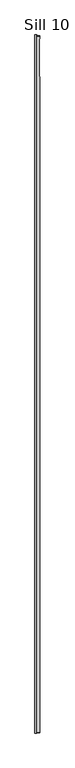
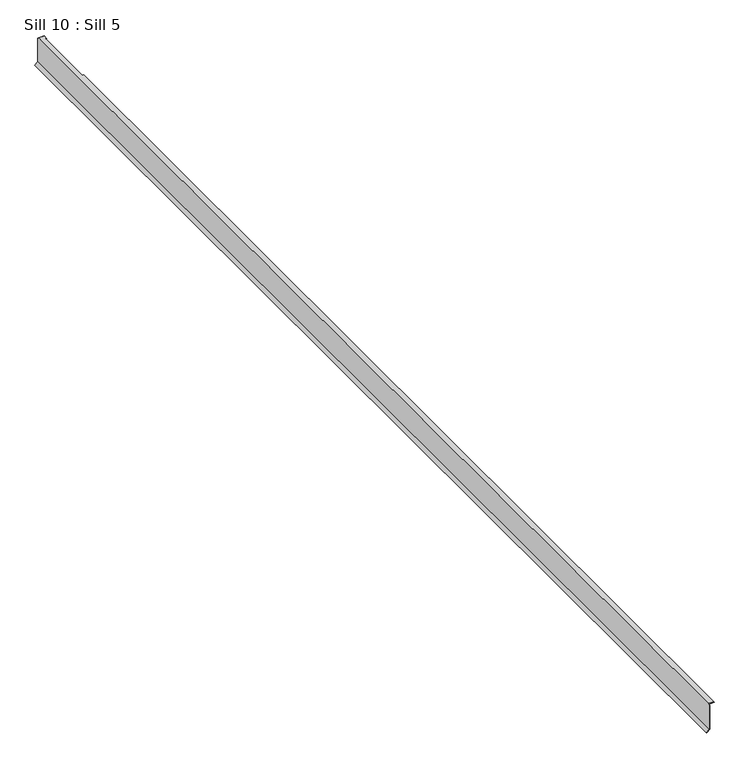
"""IFC4 building model written with IfcOpenShell, lengths in millimetres: proxy geometry, Sill 10 : Sill 5."""

from ifc_helpers import new_model, si_unit, origin, place, context, project, spatial, faceted_brep, source, transform, mapped, element, save


def sill_10_sill_5_6bcdb34f(model_context):
    return source(origin(), model_context, "Body", "Brep", [
        faceted_brep([(-5130.6513897, 6442.6342317, 795.7918539), (-5139.1846506, 6442.6342317, 787.2585929), (-5138.0596616, 6442.6342317, 786.1336039), (-5129.0665697, 6442.6342317, 795.1266958), (-5129.0665697, 6442.6342317, 874.4467726), (-5130.6513897, 6442.6342317, 874.4467726), (-5129.0665697, 10063.5476159, 795.1266958), (-5138.0596616, 10063.5476159, 786.1336039), (-5139.1846506, 10063.5476159, 787.2585929), (-5130.6513897, 10063.5476159, 795.7918539), (-5130.6513897, 10063.5476159, 873.3801711), (-5129.0665697, 10063.5476159, 873.3801711), (-5113.2967868, 10057.6653624, 878.0805218), (-5130.6513897, 10057.6653624, 878.0805218), (-5130.6513897, 9927.7453885, 878.0805218), (-5130.6513897, 9846.3136193, 878.0805218), (-5130.6513897, 6447.1816867, 878.0805218), (-5113.2967868, 6447.1816867, 878.0805218), (-5113.2967868, 9846.3136193, 878.0805218), (-5117.4847818, 9846.3136193, 878.0805218), (-5117.4847818, 9927.7453885, 878.0805218), (-5117.4847818, 10044.0442711, 878.0805218), (-5113.2967868, 10044.0442711, 878.0805218), (-5113.2967868, 10059.6729949, 876.4762766), (-5113.2967868, 10044.4741273, 876.4762766), (-5129.0665697, 6445.1740543, 876.4762766), (-5129.0665697, 10059.6729949, 876.4762766), (-5117.4847818, 10044.4741273, 876.4762766), (-5117.4847818, 9846.3136193, 876.4762766), (-5113.2967868, 9846.3136193, 876.4762766), (-5113.2967868, 6445.1740543, 876.4762766)], [[[0, 1, 2, 3, 4, 5]], [[6, 7, 8, 9, 10, 11]], [[12, 13, 14, 15, 16, 17, 18, 19, 20, 21, 22]], [[23, 12, 22, 24]], [[25, 26, 23, 24, 27, 28, 29, 30]], [[3, 6, 11, 26, 25, 4]], [[7, 6, 3, 2]], [[8, 7, 2, 1]], [[9, 8, 1, 0]], [[9, 0, 5, 16, 15, 14, 13, 10]], [[11, 10, 13, 12, 23, 26]], [[5, 4, 25, 30, 17, 16]], [[27, 21, 20, 19, 28]], [[21, 27, 24, 22]], [[28, 19, 18, 29]], [[17, 30, 29, 18]]]),
    ])


if __name__ == "__main__":
    model = new_model("IFC4")
    model_context = context("Model", 3, world=origin())
    ifc_project = project(units=[si_unit("LENGTHUNIT", "METRE", prefix="MILLI")], contexts=[model_context])
    site = spatial("IfcSite", under=ifc_project)
    building = spatial("IfcBuilding", under=site)
    placement = place(None, origin())
    sill_10_sill_5_shape = sill_10_sill_5_6bcdb34f(model_context)
    element("IfcBuildingElementProxy", 1, Name="Sill 10 : Sill 5", ObjectType="Sill 10 : Sill 5", at=placement, inside=building, context=model_context, shape_type="MappedRepresentation", body=[
        mapped(sill_10_sill_5_shape, transform((0.0, 0.0, 0.0), x_axis=(1.0, 0.0, 0.0), y_axis=(0.0, 1.0, 0.0), z_axis=(0.0, 0.0, 1.0))),
    ])
    save(model, "model.ifc")
